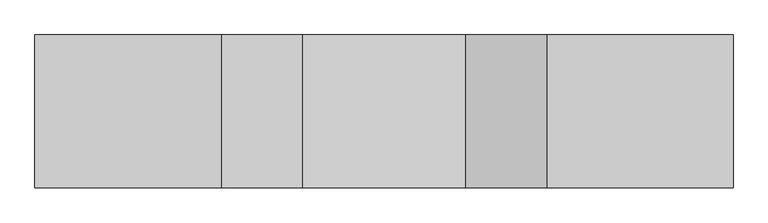
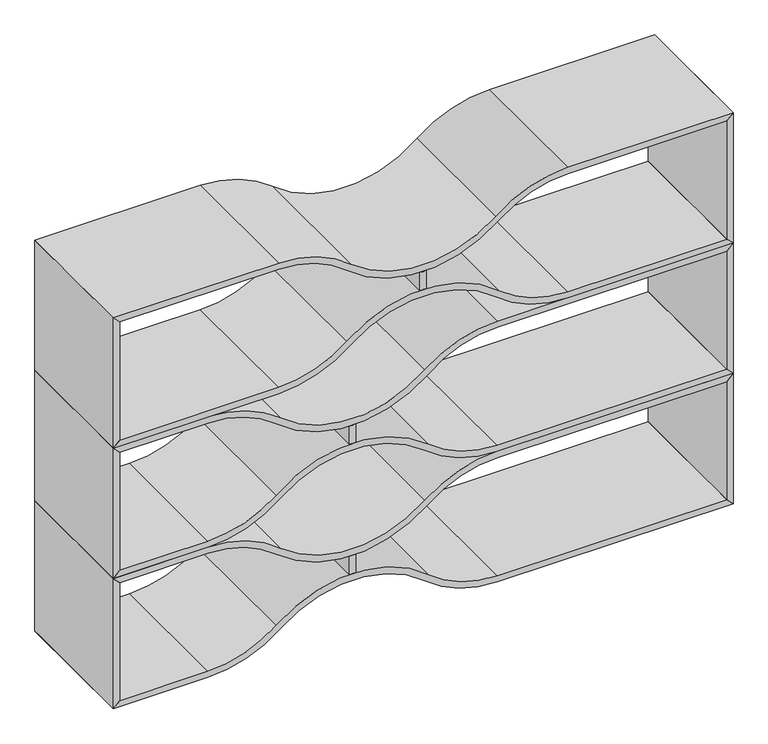
"""IFC4 building model written with IfcOpenShell, lengths in millimetres: furniture geometry."""

from ifc_helpers import new_model, si_unit, point, frame, frame_2d, origin, place, context, project, spatial, polyline, circle_curve, trimmed, segment, composite_curve, outline, extrude, source, transform, mapped, element, save


def furniture_47d454fd(model_context):
    return source(origin(), model_context, "Body", "SweptSolid", [
        extrude(outline(composite_curve([segment(polyline([(987.2955505, 923.925), (1044.704401, 923.925)]), True, "CONTINUOUS"), segment(trimmed(circle_curve(frame_2d((1107.1305252, 914.4)), 63.1486073), [point((1044.704401, 923.925))], [point((1044.704401, 904.875))], True, "CARTESIAN"), True, "CONTINUOUS"), segment(polyline([(1044.704401, 904.875), (987.2955505, 904.875)]), True, "CONTINUOUS"), segment(trimmed(circle_curve(frame_2d((924.8694264, 914.4)), 63.1486073), [point((987.2955505, 904.875))], [point((987.2955505, 923.925))], True, "CARTESIAN"), True, "CONTINUOUS")], self_intersect=False)), frame((0.0, -400.05, 0.0), z_axis=(0.0, 1.0, 0.0), x_axis=(0.0, 0.0, 1.0)), (0.0, 0.0, 1.0), 400.05),
        extrude(outline(composite_curve([segment(polyline([(812.7999516, 1828.7603222), (831.8499516, 1809.7103222), (831.8499516, 1341.1225206)]), True, "CONTINUOUS"), segment(trimmed(circle_curve(frame_2d((1144.3017253, 1341.1225206)), 312.4517737), [point((831.8499516, 1341.1225206))], [point((905.6602518, 1139.4387135))], True, "CARTESIAN"), True, "CONTINUOUS"), segment(trimmed(circle_curve(frame_2d((639.3855572, 914.4011569)), 348.6317755), [point((905.6602518, 1139.4387135))], [point((905.1739258, 688.7894152))], False, "CARTESIAN"), True, "CONTINUOUS"), segment(trimmed(circle_curve(frame_2d((1144.3017253, 487.6824625)), 312.4517737), [point((905.1739258, 688.7894152))], [point((831.8499516, 487.6824625))], True, "CARTESIAN"), True, "CONTINUOUS"), segment(polyline([(831.8499516, 487.6824625), (831.8499516, 19.05), (812.7999516, 0.0), (812.7999516, 487.6824625)]), True, "CONTINUOUS"), segment(trimmed(circle_curve(frame_2d((1144.1966598, 487.6824625)), 331.3967082), [point((812.7999516, 487.6824625))], [point((890.332053, 700.7001604))], False, "CARTESIAN"), True, "CONTINUOUS"), segment(trimmed(circle_curve(frame_2d((635.6515321, 914.4024915)), 332.4618084), [point((890.332053, 700.7001604))], [point((890.332053, 1128.1048227))], True, "CARTESIAN"), True, "CONTINUOUS"), segment(trimmed(circle_curve(frame_2d((1144.1966598, 1341.1225206)), 331.3967082), [point((890.332053, 1128.1048227))], [point((812.7999516, 1341.1225206))], False, "CARTESIAN"), True, "CONTINUOUS"), segment(polyline([(812.7999516, 1341.1225206), (812.7999516, 1828.7603222)]), True, "CONTINUOUS")], self_intersect=False)), frame((0.0, -400.05, 0.0), z_axis=(0.0, 1.0, 0.0), x_axis=(0.0, 0.0, 1.0)), (0.0, 0.0, 1.0), 400.05),
        extrude(outline(composite_curve([segment(polyline([(1219.2, 1828.7603222), (1219.2, 1341.1181604)]), True, "CONTINUOUS"), segment(trimmed(circle_curve(frame_2d((887.8032918, 1341.1181604)), 331.3967082), [point((1219.2, 1341.1181604))], [point((1141.6678986, 1128.1004625))], False, "CARTESIAN"), True, "CONTINUOUS"), segment(trimmed(circle_curve(frame_2d((1396.3484195, 914.3981314)), 332.4618084), [point((1141.6678986, 1128.1004625))], [point((1141.6678986, 700.6958002))], True, "CARTESIAN"), True, "CONTINUOUS"), segment(trimmed(circle_curve(frame_2d((887.8032918, 487.6781023)), 331.3967082), [point((1141.6678986, 700.6958002))], [point((1219.2, 487.6781023))], False, "CARTESIAN"), True, "CONTINUOUS"), segment(polyline([(1219.2, 487.6781023), (1219.2, 0.0), (1200.15, 19.05), (1200.15, 487.6781023)]), True, "CONTINUOUS"), segment(trimmed(circle_curve(frame_2d((887.6982263, 487.6781023)), 312.4517737), [point((1200.15, 487.6781023))], [point((1126.8260257, 688.785055))], True, "CARTESIAN"), True, "CONTINUOUS"), segment(trimmed(circle_curve(frame_2d((1392.6143943, 914.3967967)), 348.6317755), [point((1126.8260257, 688.785055))], [point((1126.3396998, 1139.4343534))], False, "CARTESIAN"), True, "CONTINUOUS"), segment(trimmed(circle_curve(frame_2d((887.6982263, 1341.1181604)), 312.4517737), [point((1126.3396998, 1139.4343534))], [point((1200.15, 1341.1181604))], True, "CARTESIAN"), True, "CONTINUOUS"), segment(polyline([(1200.15, 1341.1181604), (1200.15, 1809.7103222), (1219.2, 1828.7603222)]), True, "CONTINUOUS")], self_intersect=False)), frame((0.0, -400.05, 0.0), z_axis=(0.0, 1.0, 0.0), x_axis=(0.0, 0.0, 1.0)), (0.0, 0.0, 1.0), 400.05),
        extrude(outline(composite_curve([segment(polyline([(174.4954536, 715.6053028), (231.9043041, 715.6053028)]), True, "CONTINUOUS"), segment(trimmed(circle_curve(frame_2d((294.3304283, 706.0803028)), 63.1486073), [point((231.9043041, 715.6053028))], [point((231.9043041, 696.5553028))], True, "CARTESIAN"), True, "CONTINUOUS"), segment(polyline([(231.9043041, 696.5553028), (174.4954536, 696.5553028)]), True, "CONTINUOUS"), segment(trimmed(circle_curve(frame_2d((112.0693295, 706.0803028)), 63.1486073), [point((174.4954536, 696.5553028))], [point((174.4954536, 715.6053028))], True, "CARTESIAN"), True, "CONTINUOUS")], self_intersect=False)), frame((0.0, -400.05, 0.0), z_axis=(0.0, 1.0, 0.0), x_axis=(0.0, 0.0, 1.0)), (0.0, 0.0, 1.0), 400.05),
        extrude(outline(composite_curve([segment(polyline([(-0.0001453, 1828.7603222), (19.0498547, 1809.7103222), (19.0498547, 1132.8400097)]), True, "CONTINUOUS"), segment(trimmed(circle_curve(frame_2d((331.5016284, 1132.8400097)), 312.4517737), [point((19.0498547, 1132.8400097))], [point((92.8601549, 931.1562026))], True, "CARTESIAN"), True, "CONTINUOUS"), segment(trimmed(circle_curve(frame_2d((-173.4145397, 706.118646)), 348.6317755), [point((92.8601549, 931.1562026))], [point((92.3738289, 480.5069043))], False, "CARTESIAN"), True, "CONTINUOUS"), segment(trimmed(circle_curve(frame_2d((331.5016284, 279.3999516)), 312.4517737), [point((92.3738289, 480.5069043))], [point((19.0498547, 279.3999516))], True, "CARTESIAN"), True, "CONTINUOUS"), segment(polyline([(19.0498547, 279.3999516), (19.0498547, 19.05), (-0.0001453, 0.0), (-0.0001453, 279.3999516)]), True, "CONTINUOUS"), segment(trimmed(circle_curve(frame_2d((331.3965629, 279.3999516)), 331.3967082), [point((-0.0001453, 279.3999516))], [point((77.5319561, 492.4176495))], False, "CARTESIAN"), True, "CONTINUOUS"), segment(trimmed(circle_curve(frame_2d((-177.1485648, 706.1199806)), 332.4618084), [point((77.5319561, 492.4176495))], [point((77.5319561, 919.8223118))], True, "CARTESIAN"), True, "CONTINUOUS"), segment(trimmed(circle_curve(frame_2d((331.3965629, 1132.8400097)), 331.3967082), [point((77.5319561, 919.8223118))], [point((-0.0001453, 1132.8400097))], False, "CARTESIAN"), True, "CONTINUOUS"), segment(polyline([(-0.0001453, 1132.8400097), (-0.0001453, 1828.7603222)]), True, "CONTINUOUS")], self_intersect=False)), frame((0.0, -400.05, 0.0), z_axis=(0.0, 1.0, 0.0), x_axis=(0.0, 0.0, 1.0)), (0.0, 0.0, 1.0), 400.05),
        extrude(outline(composite_curve([segment(polyline([(406.3999031, 1828.7603222), (406.3999031, 1132.8400097)]), True, "CONTINUOUS"), segment(trimmed(circle_curve(frame_2d((75.0031949, 1132.8400097)), 331.3967082), [point((406.3999031, 1132.8400097))], [point((328.8678017, 919.8223118))], False, "CARTESIAN"), True, "CONTINUOUS"), segment(trimmed(circle_curve(frame_2d((583.5483226, 706.1199806)), 332.4618084), [point((328.8678017, 919.8223118))], [point((328.8678017, 492.4176495))], True, "CARTESIAN"), True, "CONTINUOUS"), segment(trimmed(circle_curve(frame_2d((75.0031949, 279.3999516)), 331.3967082), [point((328.8678017, 492.4176495))], [point((406.3999031, 279.3999516))], False, "CARTESIAN"), True, "CONTINUOUS"), segment(polyline([(406.3999031, 279.3999516), (406.3999031, 0.0), (387.3499031, 19.05), (387.3499031, 279.3999516)]), True, "CONTINUOUS"), segment(trimmed(circle_curve(frame_2d((74.8981294, 279.3999516)), 312.4517737), [point((387.3499031, 279.3999516))], [point((314.0259289, 480.5069043))], True, "CARTESIAN"), True, "CONTINUOUS"), segment(trimmed(circle_curve(frame_2d((579.8142974, 706.118646)), 348.6317755), [point((314.0259289, 480.5069043))], [point((313.5396029, 931.1562026))], False, "CARTESIAN"), True, "CONTINUOUS"), segment(trimmed(circle_curve(frame_2d((74.8981294, 1132.8400097)), 312.4517737), [point((313.5396029, 931.1562026))], [point((387.3499031, 1132.8400097))], True, "CARTESIAN"), True, "CONTINUOUS"), segment(polyline([(387.3499031, 1132.8400097), (387.3499031, 1809.7103222), (406.3999031, 1828.7603222)]), True, "CONTINUOUS")], self_intersect=False)), frame((0.0, -400.05, 0.0), z_axis=(0.0, 1.0, 0.0), x_axis=(0.0, 0.0, 1.0)), (0.0, 0.0, 1.0), 400.05),
        extrude(outline(polyline([(387.3499031, 1809.75), (19.0498547, 1809.75), (-0.0001453, 1828.8), (406.3999031, 1828.8), (387.3499031, 1809.75)])), frame((0.0, -400.05, 0.0), z_axis=(0.0, 1.0, 0.0), x_axis=(0.0, 0.0, 1.0)), (0.0, 0.0, 1.0), 400.05),
        extrude(outline(polyline([(387.3499031, 19.05), (406.3999031, 0.0), (-0.0001453, 0.0), (19.0498547, 19.05), (387.3499031, 19.05)])), frame((0.0, -400.05, 0.0), z_axis=(0.0, 1.0, 0.0), x_axis=(0.0, 0.0, 1.0)), (0.0, 0.0, 1.0), 400.05),
        extrude(outline(composite_curve([segment(polyline([(580.8955021, 715.6053028), (638.3043526, 715.6053028)]), True, "CONTINUOUS"), segment(trimmed(circle_curve(frame_2d((700.7304767, 706.0803028)), 63.1486073), [point((638.3043526, 715.6053028))], [point((638.3043526, 696.5553028))], True, "CARTESIAN"), True, "CONTINUOUS"), segment(polyline([(638.3043526, 696.5553028), (580.8955021, 696.5553028)]), True, "CONTINUOUS"), segment(trimmed(circle_curve(frame_2d((518.4693779, 706.0803028)), 63.1486073), [point((580.8955021, 696.5553028))], [point((580.8955021, 715.6053028))], True, "CARTESIAN"), True, "CONTINUOUS")], self_intersect=False)), frame((0.0, -400.05, 0.0), z_axis=(0.0, 1.0, 0.0), x_axis=(0.0, 0.0, 1.0)), (0.0, 0.0, 1.0), 400.05),
        extrude(outline(composite_curve([segment(polyline([(406.3999031, 1828.7603222), (425.4499031, 1809.7103222), (425.4499031, 1132.8400097)]), True, "CONTINUOUS"), segment(trimmed(circle_curve(frame_2d((737.9016768, 1132.8400097)), 312.4517737), [point((425.4499031, 1132.8400097))], [point((499.2602033, 931.1562026))], True, "CARTESIAN"), True, "CONTINUOUS"), segment(trimmed(circle_curve(frame_2d((232.9855088, 706.118646)), 348.6317755), [point((499.2602033, 931.1562026))], [point((498.7738774, 480.5069043))], False, "CARTESIAN"), True, "CONTINUOUS"), segment(trimmed(circle_curve(frame_2d((737.9016768, 279.3999516)), 312.4517737), [point((498.7738774, 480.5069043))], [point((425.4499031, 279.3999516))], True, "CARTESIAN"), True, "CONTINUOUS"), segment(polyline([(425.4499031, 279.3999516), (425.4499031, 19.05), (406.3999031, 0.0), (406.3999031, 279.3999516)]), True, "CONTINUOUS"), segment(trimmed(circle_curve(frame_2d((737.7966113, 279.3999516)), 331.3967082), [point((406.3999031, 279.3999516))], [point((483.9320045, 492.4176495))], False, "CARTESIAN"), True, "CONTINUOUS"), segment(trimmed(circle_curve(frame_2d((229.2514836, 706.1199806)), 332.4618084), [point((483.9320045, 492.4176495))], [point((483.9320045, 919.8223118))], True, "CARTESIAN"), True, "CONTINUOUS"), segment(trimmed(circle_curve(frame_2d((737.7966113, 1132.8400097)), 331.3967082), [point((483.9320045, 919.8223118))], [point((406.3999031, 1132.8400097))], False, "CARTESIAN"), True, "CONTINUOUS"), segment(polyline([(406.3999031, 1132.8400097), (406.3999031, 1828.7603222)]), True, "CONTINUOUS")], self_intersect=False)), frame((0.0, -400.05, 0.0), z_axis=(0.0, 1.0, 0.0), x_axis=(0.0, 0.0, 1.0)), (0.0, 0.0, 1.0), 400.05),
        extrude(outline(composite_curve([segment(polyline([(812.7999516, 1828.7603222), (812.7999516, 1132.8400097)]), True, "CONTINUOUS"), segment(trimmed(circle_curve(frame_2d((481.4032433, 1132.8400097)), 331.3967082), [point((812.7999516, 1132.8400097))], [point((735.2678501, 919.8223118))], False, "CARTESIAN"), True, "CONTINUOUS"), segment(trimmed(circle_curve(frame_2d((989.948371, 706.1199806)), 332.4618084), [point((735.2678501, 919.8223118))], [point((735.2678501, 492.4176495))], True, "CARTESIAN"), True, "CONTINUOUS"), segment(trimmed(circle_curve(frame_2d((481.4032433, 279.3999516)), 331.3967082), [point((735.2678501, 492.4176495))], [point((812.7999516, 279.3999516))], False, "CARTESIAN"), True, "CONTINUOUS"), segment(polyline([(812.7999516, 279.3999516), (812.7999516, 0.0), (793.7499516, 19.05), (793.7499516, 279.3999516)]), True, "CONTINUOUS"), segment(trimmed(circle_curve(frame_2d((481.2981778, 279.3999516)), 312.4517737), [point((793.7499516, 279.3999516))], [point((720.4259773, 480.5069043))], True, "CARTESIAN"), True, "CONTINUOUS"), segment(trimmed(circle_curve(frame_2d((986.2143459, 706.118646)), 348.6317755), [point((720.4259773, 480.5069043))], [point((719.9396513, 931.1562026))], False, "CARTESIAN"), True, "CONTINUOUS"), segment(trimmed(circle_curve(frame_2d((481.2981778, 1132.8400097)), 312.4517737), [point((719.9396513, 931.1562026))], [point((793.7499516, 1132.8400097))], True, "CARTESIAN"), True, "CONTINUOUS"), segment(polyline([(793.7499516, 1132.8400097), (793.7499516, 1809.7103222), (812.7999516, 1828.7603222)]), True, "CONTINUOUS")], self_intersect=False)), frame((0.0, -400.05, 0.0), z_axis=(0.0, 1.0, 0.0), x_axis=(0.0, 0.0, 1.0)), (0.0, 0.0, 1.0), 400.05),
        extrude(outline(polyline([(793.7499516, 1809.75), (425.4499031, 1809.75), (406.3999031, 1828.8), (812.7999516, 1828.8), (793.7499516, 1809.75)])), frame((0.0, -400.05, 0.0), z_axis=(0.0, 1.0, 0.0), x_axis=(0.0, 0.0, 1.0)), (0.0, 0.0, 1.0), 400.05),
        extrude(outline(polyline([(793.7499516, 19.05), (812.7999516, 0.0), (406.3999031, 0.0), (425.4499031, 19.05), (793.7499516, 19.05)])), frame((0.0, -400.05, 0.0), z_axis=(0.0, 1.0, 0.0), x_axis=(0.0, 0.0, 1.0)), (0.0, 0.0, 1.0), 400.05),
        extrude(outline(polyline([(1200.15, 1809.75), (831.8499516, 1809.75), (812.7999516, 1828.8), (1219.2, 1828.8), (1200.15, 1809.75)])), frame((0.0, -400.05, 0.0), z_axis=(0.0, 1.0, 0.0), x_axis=(0.0, 0.0, 1.0)), (0.0, 0.0, 1.0), 400.05),
        extrude(outline(polyline([(1200.15, 19.05), (1219.2, 0.0), (812.7999516, 0.0), (831.8499516, 19.05), (1200.15, 19.05)])), frame((0.0, -400.05, 0.0), z_axis=(0.0, 1.0, 0.0), x_axis=(0.0, 0.0, 1.0)), (0.0, 0.0, 1.0), 400.05),
    ])


if __name__ == "__main__":
    model = new_model("IFC4")
    model_context = context("Model", 3, world=origin())
    ifc_project = project(units=[si_unit("LENGTHUNIT", "METRE", prefix="MILLI")], contexts=[model_context])
    site = spatial("IfcSite", under=ifc_project)
    building = spatial("IfcBuilding", under=site)
    placement = place(None, origin())
    furniture_shape = furniture_47d454fd(model_context)
    element("IfcFurniture", 1, at=placement, inside=building, context=model_context, shape_type="MappedRepresentation", body=[
        mapped(furniture_shape, transform((0.0, 0.0, 0.0), x_axis=(1.0, 0.0, 0.0), y_axis=(0.0, 1.0, 0.0), z_axis=(0.0, 0.0, 1.0))),
    ])
    save(model, "model.ifc")
